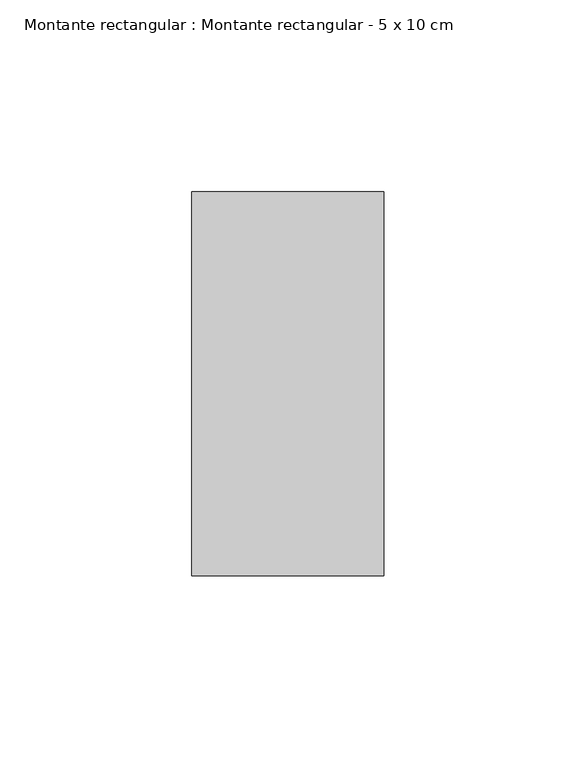
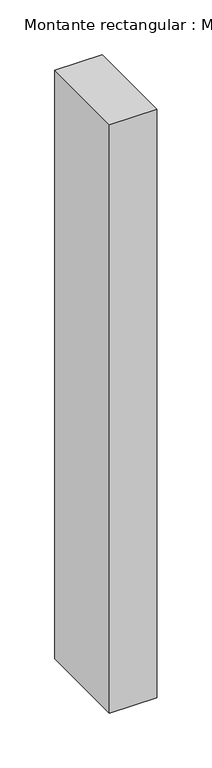
"""IFC4 building model written with IfcOpenShell, lengths in millimetres: member geometry, Montante rectangular : Montante rectangular - 5 x 10 cm."""

from ifc_helpers import new_model, si_unit, frame, origin, place, context, project, spatial, polyline, outline, extrude, source, transform, mapped, element, save


def montante_rectangular_montante_rectangular_5_x_10_cm_0d05c9fe(model_context):
    return source(origin(), model_context, "Body", "SweptSolid", [
        extrude(outline(polyline([(-50.0, 50.0), (0.0, 50.0), (0.0, -50.0), (-50.0, -50.0), (-50.0, 50.0)])), frame((0.0, 0.0, -656.0), z_axis=(0.0, 0.0, 1.0), x_axis=(1.0, 0.0, 0.0)), (0.0, 0.0, 1.0), 656.0),
    ])


if __name__ == "__main__":
    model = new_model("IFC4")
    model_context = context("Model", 3, world=origin())
    ifc_project = project(units=[si_unit("LENGTHUNIT", "METRE", prefix="MILLI")], contexts=[model_context])
    site = spatial("IfcSite", under=ifc_project)
    building = spatial("IfcBuilding", under=site)
    placement = place(None, origin())
    montante_rectangular_montante_rectangular_5_x_10_cm_shape = montante_rectangular_montante_rectangular_5_x_10_cm_0d05c9fe(model_context)
    element("IfcMember", 1, ObjectType="Montante rectangular : Montante rectangular - 5 x 10 cm", at=placement, inside=building, context=model_context, shape_type="MappedRepresentation", body=[
        mapped(montante_rectangular_montante_rectangular_5_x_10_cm_shape, transform((0.0, 0.0, 0.0), x_axis=(1.0, 0.0, 0.0), y_axis=(0.0, 1.0, 0.0), z_axis=(0.0, 0.0, 1.0))),
    ])
    save(model, "model.ifc")
